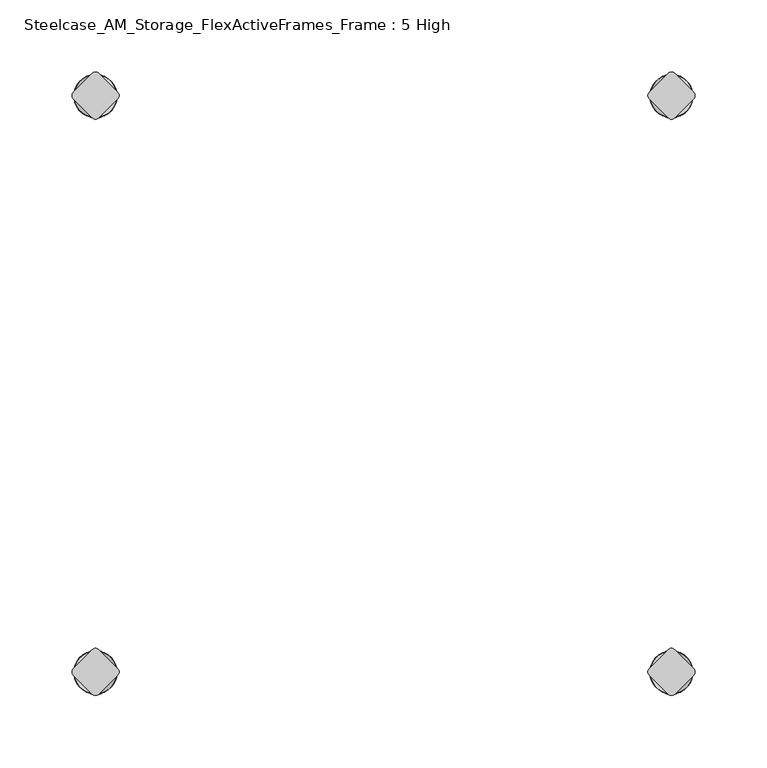
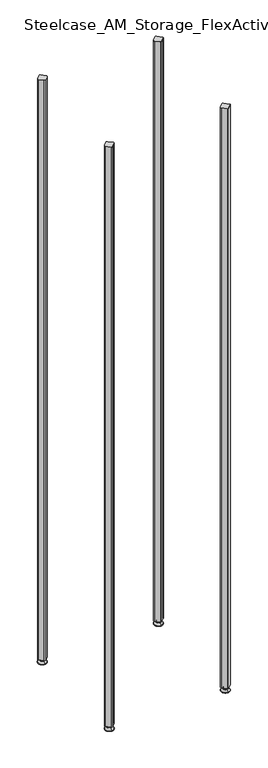
"""IFC4 building model written with IfcOpenShell, lengths in millimetres: furniture geometry, Steelcase_AM_Storage_FlexActiveFrames_Frame : 5 High."""

from ifc_helpers import new_model, si_unit, point, frame, frame_2d, origin, place, context, project, spatial, polyline, circle_curve, ellipse_curve, trimmed, segment, composite_curve, outline, extrude, source, transform, mapped, element, save
from ifc_brep_helpers import plane_surface, cylinder_surface, revolved_surface, advanced_brep


def steelcase_am_storage_flexactiveframes_frame_5_high_a644abab(model_context):
    return source(origin(), model_context, "Body", "SolidModel", [
        advanced_brep(
        [(400.05, 3.999659, 15.9766), (400.05, -3.999659, 15.9766), (400.05, 0.0, 15.9766), (400.05, 3.999659, 12.6000054), (400.05, -3.999659, 12.6000054), (400.05, 5.8601455, 12.6000054), (400.05, -5.8601455, 12.6000054), (400.05, 6.4951462, 11.9650074), (400.05, -6.4951462, 11.9650074), (400.05, 6.4951462, 9.0000124), (400.05, -6.4951462, 9.0000124), (400.05, 8.7421976, 9.0000124), (400.05, -8.7421976, 9.0000124), (400.05, 14.7060077, 2.3275608), (400.05, -14.7060077, 2.3275608), (400.05, 13.664601, 0.0), (400.05, -13.664601, 0.0), (400.05, 0.0, 0.0)],
        [
            (0, 1, circle_curve(frame((400.05, 0.0, 15.9766), z_axis=(0.0, 0.0, 1.0), x_axis=(0.0, -1.0, 0.0)), 3.999659)),
            (1, 2),
            (2, 0),
            (1, 0, circle_curve(frame((400.05, 0.0, 15.9766), z_axis=(0.0, 0.0, 1.0), x_axis=(0.0, -1.0, 0.0)), 3.999659)),
            (3, 4, circle_curve(frame((400.05, 0.0, 12.6000054), z_axis=(0.0, 0.0, 1.0), x_axis=(0.0, -1.0, 0.0)), 3.999659)),
            (4, 1),
            (0, 3),
            (4, 3, circle_curve(frame((400.05, 0.0, 12.6000054), z_axis=(0.0, 0.0, 1.0), x_axis=(0.0, -1.0, 0.0)), 3.999659)),
            (5, 6, circle_curve(frame((400.05, 0.0, 12.6000054), z_axis=(0.0, 0.0, 1.0), x_axis=(0.0, -1.0, 0.0)), 5.8601455)),
            (6, 4),
            (3, 5),
            (6, 5, circle_curve(frame((400.05, 0.0, 12.6000054), z_axis=(0.0, 0.0, 1.0), x_axis=(0.0, -1.0, 0.0)), 5.8601455)),
            (7, 8, circle_curve(frame((400.05, 0.0, 11.9650074), z_axis=(0.0, 0.0, 1.0), x_axis=(0.0, -1.0, 0.0)), 6.4951462)),
            (8, 6, circle_curve(frame((400.05, -5.8601462, 11.9650074), z_axis=(-1.0, 0.0, 0.0), x_axis=(0.0, -1.0, 0.0)), 0.635)),
            (5, 7, circle_curve(frame((400.05, 5.8601462, 11.9650074), z_axis=(-1.0, 0.0, 0.0), x_axis=(0.0, 1.0, 0.0)), 0.635)),
            (8, 7, circle_curve(frame((400.05, 0.0, 11.9650074), z_axis=(0.0, 0.0, 1.0), x_axis=(0.0, -1.0, 0.0)), 6.4951462)),
            (9, 10, circle_curve(frame((400.05, 0.0, 9.0000124), z_axis=(0.0, 0.0, 1.0), x_axis=(0.0, -1.0, 0.0)), 6.4951462)),
            (10, 8),
            (7, 9),
            (10, 9, circle_curve(frame((400.05, 0.0, 9.0000124), z_axis=(0.0, 0.0, 1.0), x_axis=(0.0, -1.0, 0.0)), 6.4951462)),
            (11, 12, circle_curve(frame((400.05, 0.0, 9.0000124), z_axis=(0.0, 0.0, 1.0), x_axis=(0.0, -1.0, 0.0)), 8.7421976)),
            (12, 10),
            (9, 11),
            (12, 11, circle_curve(frame((400.05, 0.0, 9.0000124), z_axis=(0.0, 0.0, 1.0), x_axis=(0.0, -1.0, 0.0)), 8.7421976)),
            (13, 14, circle_curve(frame((400.05, 0.0, 2.3275608), z_axis=(0.0, 0.0, 1.0), x_axis=(0.0, -1.0, 0.0)), 14.7060077)),
            (14, 12),
            (11, 13),
            (14, 13, circle_curve(frame((400.05, 0.0, 2.3275608), z_axis=(0.0, 0.0, 1.0), x_axis=(0.0, -1.0, 0.0)), 14.7060077)),
            (15, 16, circle_curve(frame((400.05, 0.0, 0.0), z_axis=(0.0, 0.0, 1.0), x_axis=(0.0, -1.0, 0.0)), 13.664601)),
            (16, 14, circle_curve(frame((400.05, -13.664601, 1.3967556), z_axis=(-1.0, 0.0, 0.0), x_axis=(0.0, -1.0, 0.0)), 1.3967556)),
            (13, 15, circle_curve(frame((400.05, 13.664601, 1.3967556), z_axis=(-1.0, 0.0, 0.0), x_axis=(0.0, 1.0, 0.0)), 1.3967556)),
            (16, 15, circle_curve(frame((400.05, 0.0, 0.0), z_axis=(0.0, 0.0, 1.0), x_axis=(0.0, -1.0, 0.0)), 13.664601)),
            (17, 16),
            (15, 17),
        ],
        [
            plane_surface(frame((400.05, 0.0, 15.9766), z_axis=(0.0, 0.0, 1.0), x_axis=(0.0, -1.0, 0.0))),
            cylinder_surface(frame((400.05, 0.0, -4.132372), z_axis=(0.0, 0.0, -1.0), x_axis=(0.0, -1.0, 0.0)), 3.999659),
            plane_surface(frame((400.05, 0.0, 12.6000054), z_axis=(0.0, 0.0, 1.0), x_axis=(0.0, -1.0, 0.0))),
            revolved_surface(trimmed(ellipse_curve(frame((400.05, -5.8601462, 11.9650074), z_axis=(1.0, 0.0, 0.0), x_axis=(0.0, -1.0, 0.0)), 0.635, 0.635), [point((400.05, -5.8601455, 12.6000074))], [point((400.05, -6.4951462, 11.9650074))], True, "CARTESIAN"), (400.05, 0.0, -4.132372), (0.0, 0.0, -1.0)),
            cylinder_surface(frame((400.05, 0.0, -4.132372), z_axis=(0.0, 0.0, -1.0), x_axis=(0.0, -1.0, 0.0)), 6.4951462),
            plane_surface(frame((400.05, 0.0, 9.0000124), z_axis=(0.0, 0.0, 1.0), x_axis=(0.0, -1.0, 0.0))),
            revolved_surface(polyline([(400.05, -8.7421976, 9.0000124), (400.05, -14.7060077, 2.3275608)]), (400.05, 0.0, -4.132372), (0.0, 0.0, -1.0)),
            revolved_surface(trimmed(ellipse_curve(frame((400.05, -13.664601, 1.3967556), z_axis=(1.0, 0.0, 0.0), x_axis=(0.0, -1.0, 0.0)), 1.3967556, 1.3967556), [point((400.05, -14.7060077, 2.3275608))], [point((400.05, -13.664601, 0.0))], True, "CARTESIAN"), (400.05, 0.0, -4.132372), (0.0, 0.0, -1.0)),
            plane_surface(frame((400.05, 0.0, 0.0), z_axis=(0.0, 0.0, -1.0), x_axis=(0.0, -1.0, 0.0))),
        ],
        [
            (0, [[1, 2, 3]]),
            (0, [[4, -3, -2]]),
            (1, [[5, 6, -1, 7]]),
            (1, [[8, -7, -4, -6]]),
            (2, [[9, 10, -5, 11]]),
            (2, [[12, -11, -8, -10]]),
            (3, [[13, 14, -9, 15]]),
            (3, [[16, -15, -12, -14]]),
            (4, [[17, 18, -13, 19]]),
            (4, [[20, -19, -16, -18]]),
            (5, [[21, 22, -17, 23]]),
            (5, [[24, -23, -20, -22]]),
            (6, [[25, 26, -21, 27]]),
            (6, [[28, -27, -24, -26]]),
            (7, [[29, 30, -25, 31]]),
            (7, [[32, -31, -28, -30]]),
            (8, [[33, -29, 34]]),
            (8, [[-34, -32, -33]]),
        ],
    ),
        advanced_brep(
        [(400.05, -400.05, 15.9766), (400.05, -396.050341, 15.9766), (400.05, -404.049659, 15.9766), (400.05, -396.050341, 12.6000054), (400.05, -404.049659, 12.6000054), (400.05, -394.1898545, 12.6000074), (400.05, -405.9101455, 12.6000074), (400.05, -393.5548538, 11.9650074), (400.05, -406.5451462, 11.9650074), (400.05, -393.5548538, 9.0000124), (400.05, -406.5451462, 9.0000124), (400.05, -391.3078024, 9.0000124), (400.05, -408.7921976, 9.0000124), (400.05, -385.3439923, 2.3275608), (400.05, -414.7560077, 2.3275608), (400.05, -386.385399, 0.0), (400.05, -413.714601, 0.0), (400.05, -400.05, 0.0)],
        [
            (0, 1),
            (1, 2, circle_curve(frame((400.05, -400.05, 15.9766), z_axis=(0.0, 0.0, 1.0), x_axis=(0.0, 1.0, 0.0)), 3.999659)),
            (2, 0),
            (2, 1, circle_curve(frame((400.05, -400.05, 15.9766), z_axis=(0.0, 0.0, 1.0), x_axis=(0.0, 1.0, 0.0)), 3.999659)),
            (1, 3),
            (3, 4, circle_curve(frame((400.05, -400.05, 12.6000054), z_axis=(0.0, 0.0, 1.0), x_axis=(0.0, 1.0, 0.0)), 3.999659)),
            (4, 2),
            (4, 3, circle_curve(frame((400.05, -400.05, 12.6000054), z_axis=(0.0, 0.0, 1.0), x_axis=(0.0, 1.0, 0.0)), 3.999659)),
            (3, 5),
            (5, 6, circle_curve(frame((400.05, -400.05, 12.6000074), z_axis=(0.0, 0.0, 1.0), x_axis=(0.0, 1.0, 0.0)), 5.8601455)),
            (6, 4),
            (6, 5, circle_curve(frame((400.05, -400.05, 12.6000074), z_axis=(0.0, 0.0, 1.0), x_axis=(0.0, 1.0, 0.0)), 5.8601455)),
            (5, 7, circle_curve(frame((400.05, -394.1898538, 11.9650074), z_axis=(-1.0, 0.0, 0.0), x_axis=(0.0, 1.0, 0.0)), 0.635)),
            (7, 8, circle_curve(frame((400.05, -400.05, 11.9650074), z_axis=(0.0, 0.0, 1.0), x_axis=(0.0, 1.0, 0.0)), 6.4951462)),
            (8, 6, circle_curve(frame((400.05, -405.9101462, 11.9650074), z_axis=(-1.0, 0.0, 0.0), x_axis=(0.0, -1.0, 0.0)), 0.635)),
            (8, 7, circle_curve(frame((400.05, -400.05, 11.9650074), z_axis=(0.0, 0.0, 1.0), x_axis=(0.0, 1.0, 0.0)), 6.4951462)),
            (7, 9),
            (9, 10, circle_curve(frame((400.05, -400.05, 9.0000124), z_axis=(0.0, 0.0, 1.0), x_axis=(0.0, 1.0, 0.0)), 6.4951462)),
            (10, 8),
            (10, 9, circle_curve(frame((400.05, -400.05, 9.0000124), z_axis=(0.0, 0.0, 1.0), x_axis=(0.0, 1.0, 0.0)), 6.4951462)),
            (9, 11),
            (11, 12, circle_curve(frame((400.05, -400.05, 9.0000124), z_axis=(0.0, 0.0, 1.0), x_axis=(0.0, 1.0, 0.0)), 8.7421976)),
            (12, 10),
            (12, 11, circle_curve(frame((400.05, -400.05, 9.0000124), z_axis=(0.0, 0.0, 1.0), x_axis=(0.0, 1.0, 0.0)), 8.7421976)),
            (11, 13),
            (13, 14, circle_curve(frame((400.05, -400.05, 2.3275608), z_axis=(0.0, 0.0, 1.0), x_axis=(0.0, 1.0, 0.0)), 14.7060077)),
            (14, 12),
            (14, 13, circle_curve(frame((400.05, -400.05, 2.3275608), z_axis=(0.0, 0.0, 1.0), x_axis=(0.0, 1.0, 0.0)), 14.7060077)),
            (13, 15, circle_curve(frame((400.05, -386.385399, 1.3967556), z_axis=(-1.0, 0.0, 0.0), x_axis=(0.0, 1.0, 0.0)), 1.3967556)),
            (15, 16, circle_curve(frame((400.05, -400.05, 0.0), z_axis=(0.0, 0.0, 1.0), x_axis=(0.0, 1.0, 0.0)), 13.664601)),
            (16, 14, circle_curve(frame((400.05, -413.714601, 1.3967556), z_axis=(-1.0, 0.0, 0.0), x_axis=(0.0, -1.0, 0.0)), 1.3967556)),
            (16, 15, circle_curve(frame((400.05, -400.05, 0.0), z_axis=(0.0, 0.0, 1.0), x_axis=(0.0, 1.0, 0.0)), 13.664601)),
            (15, 17),
            (17, 16),
        ],
        [
            plane_surface(frame((400.05, -400.05, 15.9766), z_axis=(0.0, 0.0, 1.0), x_axis=(0.0, 1.0, 0.0))),
            cylinder_surface(frame((400.05, -400.05, -4.132372), z_axis=(0.0, 0.0, 1.0), x_axis=(0.0, 1.0, 0.0)), 3.999659),
            plane_surface(frame((400.05, -400.05, 12.6000074), z_axis=(0.0, 0.0, 1.0), x_axis=(0.0, 1.0, 0.0))),
            revolved_surface(trimmed(ellipse_curve(frame((400.05, -394.1898538, 11.9650074), z_axis=(1.0, 0.0, 0.0), x_axis=(0.0, 1.0, 0.0)), 0.635, 0.635), [point((400.05, -393.5548538, 11.9650074))], [point((400.05, -394.1898545, 12.6000074))], True, "CARTESIAN"), (400.05, -400.05, -4.132372), (0.0, 0.0, 1.0)),
            cylinder_surface(frame((400.05, -400.05, -4.132372), z_axis=(0.0, 0.0, 1.0), x_axis=(0.0, 1.0, 0.0)), 6.4951462),
            plane_surface(frame((400.05, -400.05, 9.0000124), z_axis=(0.0, 0.0, 1.0), x_axis=(0.0, 1.0, 0.0))),
            revolved_surface(polyline([(400.05, -385.3439923, 2.3275608), (400.05, -391.3078024, 9.0000124)]), (400.05, -400.05, -4.132372), (0.0, 0.0, 1.0)),
            revolved_surface(trimmed(ellipse_curve(frame((400.05, -386.385399, 1.3967556), z_axis=(1.0, 0.0, 0.0), x_axis=(0.0, 1.0, 0.0)), 1.3967556, 1.3967556), [point((400.05, -386.385399, 0.0))], [point((400.05, -385.3439923, 2.3275608))], True, "CARTESIAN"), (400.05, -400.05, -4.132372), (0.0, 0.0, 1.0)),
            plane_surface(frame((400.05, -400.05, 0.0), z_axis=(0.0, 0.0, -1.0), x_axis=(0.0, 1.0, 0.0))),
        ],
        [
            (0, [[1, 2, 3]]),
            (0, [[-3, 4, -1]]),
            (1, [[-2, 5, 6, 7]]),
            (1, [[-4, -7, 8, -5]]),
            (2, [[-6, 9, 10, 11]]),
            (2, [[-8, -11, 12, -9]]),
            (3, [[-10, 13, 14, 15]]),
            (3, [[-12, -15, 16, -13]]),
            (4, [[-14, 17, 18, 19]]),
            (4, [[-16, -19, 20, -17]]),
            (5, [[-18, 21, 22, 23]]),
            (5, [[-20, -23, 24, -21]]),
            (6, [[-22, 25, 26, 27]]),
            (6, [[-24, -27, 28, -25]]),
            (7, [[-26, 29, 30, 31]]),
            (7, [[-28, -31, 32, -29]]),
            (8, [[-30, 33, 34]]),
            (8, [[-32, -34, -33]]),
        ],
    ),
        advanced_brep(
        [(0.0, -400.05, 15.9766), (0.0, -396.050341, 15.9766), (0.0, -404.049659, 15.9766), (0.0, -396.050341, 12.6000054), (0.0, -404.049659, 12.6000054), (0.0, -394.1898545, 12.6000074), (0.0, -405.9101455, 12.6000074), (0.0, -393.5548538, 11.9650074), (0.0, -406.5451462, 11.9650074), (0.0, -393.5548538, 9.0000124), (0.0, -406.5451462, 9.0000124), (0.0, -391.3078024, 9.0000124), (0.0, -408.7921976, 9.0000124), (0.0, -385.3439923, 2.3275608), (0.0, -414.7560077, 2.3275608), (0.0, -386.385399, 0.0), (0.0, -413.714601, 0.0), (0.0, -400.05, 0.0)],
        [
            (0, 1),
            (1, 2, circle_curve(frame((0.0, -400.05, 15.9766), z_axis=(0.0, 0.0, 1.0), x_axis=(0.0, 1.0, 0.0)), 3.999659)),
            (2, 0),
            (2, 1, circle_curve(frame((0.0, -400.05, 15.9766), z_axis=(0.0, 0.0, 1.0), x_axis=(0.0, 1.0, 0.0)), 3.999659)),
            (1, 3),
            (3, 4, circle_curve(frame((0.0, -400.05, 12.6000054), z_axis=(0.0, 0.0, 1.0), x_axis=(0.0, 1.0, 0.0)), 3.999659)),
            (4, 2),
            (4, 3, circle_curve(frame((0.0, -400.05, 12.6000054), z_axis=(0.0, 0.0, 1.0), x_axis=(0.0, 1.0, 0.0)), 3.999659)),
            (3, 5),
            (5, 6, circle_curve(frame((0.0, -400.05, 12.6000074), z_axis=(0.0, 0.0, 1.0), x_axis=(0.0, 1.0, 0.0)), 5.8601455)),
            (6, 4),
            (6, 5, circle_curve(frame((0.0, -400.05, 12.6000074), z_axis=(0.0, 0.0, 1.0), x_axis=(0.0, 1.0, 0.0)), 5.8601455)),
            (5, 7, circle_curve(frame((0.0, -394.1898538, 11.9650074), z_axis=(-1.0, 0.0, 0.0), x_axis=(0.0, -1.0, 0.0)), 0.635)),
            (7, 8, circle_curve(frame((0.0, -400.05, 11.9650074), z_axis=(0.0, 0.0, 1.0), x_axis=(0.0, 1.0, 0.0)), 6.4951462)),
            (8, 6, circle_curve(frame((0.0, -405.9101462, 11.9650074), z_axis=(-1.0, 0.0, 0.0), x_axis=(0.0, 1.0, 0.0)), 0.635)),
            (8, 7, circle_curve(frame((0.0, -400.05, 11.9650074), z_axis=(0.0, 0.0, 1.0), x_axis=(0.0, 1.0, 0.0)), 6.4951462)),
            (7, 9),
            (9, 10, circle_curve(frame((0.0, -400.05, 9.0000124), z_axis=(0.0, 0.0, 1.0), x_axis=(0.0, 1.0, 0.0)), 6.4951462)),
            (10, 8),
            (10, 9, circle_curve(frame((0.0, -400.05, 9.0000124), z_axis=(0.0, 0.0, 1.0), x_axis=(0.0, 1.0, 0.0)), 6.4951462)),
            (9, 11),
            (11, 12, circle_curve(frame((0.0, -400.05, 9.0000124), z_axis=(0.0, 0.0, 1.0), x_axis=(0.0, 1.0, 0.0)), 8.7421976)),
            (12, 10),
            (12, 11, circle_curve(frame((0.0, -400.05, 9.0000124), z_axis=(0.0, 0.0, 1.0), x_axis=(0.0, 1.0, 0.0)), 8.7421976)),
            (11, 13),
            (13, 14, circle_curve(frame((0.0, -400.05, 2.3275608), z_axis=(0.0, 0.0, 1.0), x_axis=(0.0, 1.0, 0.0)), 14.7060077)),
            (14, 12),
            (14, 13, circle_curve(frame((0.0, -400.05, 2.3275608), z_axis=(0.0, 0.0, 1.0), x_axis=(0.0, 1.0, 0.0)), 14.7060077)),
            (13, 15, circle_curve(frame((0.0, -386.385399, 1.3967556), z_axis=(-1.0, 0.0, 0.0), x_axis=(0.0, -1.0, 0.0)), 1.3967556)),
            (15, 16, circle_curve(frame((0.0, -400.05, 0.0), z_axis=(0.0, 0.0, 1.0), x_axis=(0.0, 1.0, 0.0)), 13.664601)),
            (16, 14, circle_curve(frame((0.0, -413.714601, 1.3967556), z_axis=(-1.0, 0.0, 0.0), x_axis=(0.0, 1.0, 0.0)), 1.3967556)),
            (16, 15, circle_curve(frame((0.0, -400.05, 0.0), z_axis=(0.0, 0.0, 1.0), x_axis=(0.0, 1.0, 0.0)), 13.664601)),
            (15, 17),
            (17, 16),
        ],
        [
            plane_surface(frame((0.0, -400.05, 15.9766), z_axis=(0.0, 0.0, 1.0), x_axis=(0.0, 1.0, 0.0))),
            cylinder_surface(frame((0.0, -400.05, -4.132372), z_axis=(0.0, 0.0, 1.0), x_axis=(0.0, 1.0, 0.0)), 3.999659),
            plane_surface(frame((0.0, -400.05, 12.6000074), z_axis=(0.0, 0.0, 1.0), x_axis=(0.0, 1.0, 0.0))),
            revolved_surface(trimmed(ellipse_curve(frame((0.0, -394.1898538, 11.9650074), z_axis=(1.0, 0.0, 0.0), x_axis=(0.0, -1.0, 0.0)), 0.635, 0.635), [point((0.0, -393.5548538, 11.9650074))], [point((0.0, -394.1898545, 12.6000074))], True, "CARTESIAN"), (0.0, -400.05, -4.132372), (0.0, 0.0, 1.0)),
            cylinder_surface(frame((0.0, -400.05, -4.132372), z_axis=(0.0, 0.0, 1.0), x_axis=(0.0, 1.0, 0.0)), 6.4951462),
            plane_surface(frame((0.0, -400.05, 9.0000124), z_axis=(0.0, 0.0, 1.0), x_axis=(0.0, 1.0, 0.0))),
            revolved_surface(polyline([(0.0, -385.3439923, 2.3275608), (0.0, -391.3078024, 9.0000124)]), (0.0, -400.05, -4.132372), (0.0, 0.0, 1.0)),
            revolved_surface(trimmed(ellipse_curve(frame((0.0, -386.385399, 1.3967556), z_axis=(1.0, 0.0, 0.0), x_axis=(0.0, -1.0, 0.0)), 1.3967556, 1.3967556), [point((0.0, -386.385399, 0.0))], [point((0.0, -385.3439923, 2.3275608))], True, "CARTESIAN"), (0.0, -400.05, -4.132372), (0.0, 0.0, 1.0)),
            plane_surface(frame((0.0, -400.05, 0.0), z_axis=(0.0, 0.0, -1.0), x_axis=(0.0, 1.0, 0.0))),
        ],
        [
            (0, [[1, 2, 3]]),
            (0, [[-3, 4, -1]]),
            (1, [[-2, 5, 6, 7]]),
            (1, [[-4, -7, 8, -5]]),
            (2, [[-6, 9, 10, 11]]),
            (2, [[-8, -11, 12, -9]]),
            (3, [[-10, 13, 14, 15]]),
            (3, [[-12, -15, 16, -13]]),
            (4, [[-14, 17, 18, 19]]),
            (4, [[-16, -19, 20, -17]]),
            (5, [[-18, 21, 22, 23]]),
            (5, [[-20, -23, 24, -21]]),
            (6, [[-22, 25, 26, 27]]),
            (6, [[-24, -27, 28, -25]]),
            (7, [[-26, 29, 30, 31]]),
            (7, [[-28, -31, 32, -29]]),
            (8, [[-30, 33, 34]]),
            (8, [[-32, -34, -33]]),
        ],
    ),
        advanced_brep(
        [(0.0, 3.999659, 15.9766), (0.0, -3.999659, 15.9766), (0.0, 0.0, 15.9766), (0.0, 3.999659, 12.6000054), (0.0, -3.999659, 12.6000054), (0.0, 5.8601455, 12.6000054), (0.0, -5.8601455, 12.6000054), (0.0, 6.4951462, 11.9650074), (0.0, -6.4951462, 11.9650074), (0.0, 6.4951462, 9.0000124), (0.0, -6.4951462, 9.0000124), (0.0, 8.7421976, 9.0000124), (0.0, -8.7421976, 9.0000124), (0.0, 14.7060077, 2.3275608), (0.0, -14.7060077, 2.3275608), (0.0, 13.664601, 0.0), (0.0, -13.664601, 0.0), (0.0, 0.0, 0.0)],
        [
            (0, 1, circle_curve(frame((0.0, 0.0, 15.9766), z_axis=(0.0, 0.0, 1.0), x_axis=(0.0, -1.0, 0.0)), 3.999659)),
            (1, 2),
            (2, 0),
            (1, 0, circle_curve(frame((0.0, 0.0, 15.9766), z_axis=(0.0, 0.0, 1.0), x_axis=(0.0, -1.0, 0.0)), 3.999659)),
            (3, 4, circle_curve(frame((0.0, 0.0, 12.6000054), z_axis=(0.0, 0.0, 1.0), x_axis=(0.0, -1.0, 0.0)), 3.999659)),
            (4, 1),
            (0, 3),
            (4, 3, circle_curve(frame((0.0, 0.0, 12.6000054), z_axis=(0.0, 0.0, 1.0), x_axis=(0.0, -1.0, 0.0)), 3.999659)),
            (5, 6, circle_curve(frame((0.0, 0.0, 12.6000054), z_axis=(0.0, 0.0, 1.0), x_axis=(0.0, -1.0, 0.0)), 5.8601455)),
            (6, 4),
            (3, 5),
            (6, 5, circle_curve(frame((0.0, 0.0, 12.6000054), z_axis=(0.0, 0.0, 1.0), x_axis=(0.0, -1.0, 0.0)), 5.8601455)),
            (7, 8, circle_curve(frame((0.0, 0.0, 11.9650074), z_axis=(0.0, 0.0, 1.0), x_axis=(0.0, -1.0, 0.0)), 6.4951462)),
            (8, 6, circle_curve(frame((0.0, -5.8601462, 11.9650074), z_axis=(-1.0, 0.0, 0.0), x_axis=(0.0, 1.0, 0.0)), 0.635)),
            (5, 7, circle_curve(frame((0.0, 5.8601462, 11.9650074), z_axis=(-1.0, 0.0, 0.0), x_axis=(0.0, -1.0, 0.0)), 0.635)),
            (8, 7, circle_curve(frame((0.0, 0.0, 11.9650074), z_axis=(0.0, 0.0, 1.0), x_axis=(0.0, -1.0, 0.0)), 6.4951462)),
            (9, 10, circle_curve(frame((0.0, 0.0, 9.0000124), z_axis=(0.0, 0.0, 1.0), x_axis=(0.0, -1.0, 0.0)), 6.4951462)),
            (10, 8),
            (7, 9),
            (10, 9, circle_curve(frame((0.0, 0.0, 9.0000124), z_axis=(0.0, 0.0, 1.0), x_axis=(0.0, -1.0, 0.0)), 6.4951462)),
            (11, 12, circle_curve(frame((0.0, 0.0, 9.0000124), z_axis=(0.0, 0.0, 1.0), x_axis=(0.0, -1.0, 0.0)), 8.7421976)),
            (12, 10),
            (9, 11),
            (12, 11, circle_curve(frame((0.0, 0.0, 9.0000124), z_axis=(0.0, 0.0, 1.0), x_axis=(0.0, -1.0, 0.0)), 8.7421976)),
            (13, 14, circle_curve(frame((0.0, 0.0, 2.3275608), z_axis=(0.0, 0.0, 1.0), x_axis=(0.0, -1.0, 0.0)), 14.7060077)),
            (14, 12),
            (11, 13),
            (14, 13, circle_curve(frame((0.0, 0.0, 2.3275608), z_axis=(0.0, 0.0, 1.0), x_axis=(0.0, -1.0, 0.0)), 14.7060077)),
            (15, 16, circle_curve(frame((0.0, 0.0, 0.0), z_axis=(0.0, 0.0, 1.0), x_axis=(0.0, -1.0, 0.0)), 13.664601)),
            (16, 14, circle_curve(frame((0.0, -13.664601, 1.3967556), z_axis=(-1.0, 0.0, 0.0), x_axis=(0.0, 1.0, 0.0)), 1.3967556)),
            (13, 15, circle_curve(frame((0.0, 13.664601, 1.3967556), z_axis=(-1.0, 0.0, 0.0), x_axis=(0.0, -1.0, 0.0)), 1.3967556)),
            (16, 15, circle_curve(frame((0.0, 0.0, 0.0), z_axis=(0.0, 0.0, 1.0), x_axis=(0.0, -1.0, 0.0)), 13.664601)),
            (17, 16),
            (15, 17),
        ],
        [
            plane_surface(frame((0.0, 0.0, 15.9766), z_axis=(0.0, 0.0, 1.0), x_axis=(0.0, -1.0, 0.0))),
            cylinder_surface(frame((0.0, 0.0, -4.132372), z_axis=(0.0, 0.0, -1.0), x_axis=(0.0, -1.0, 0.0)), 3.999659),
            plane_surface(frame((0.0, 0.0, 12.6000054), z_axis=(0.0, 0.0, 1.0), x_axis=(0.0, -1.0, 0.0))),
            revolved_surface(trimmed(ellipse_curve(frame((0.0, -5.8601462, 11.9650074), z_axis=(1.0, 0.0, 0.0), x_axis=(0.0, 1.0, 0.0)), 0.635, 0.635), [point((0.0, -5.8601455, 12.6000074))], [point((0.0, -6.4951462, 11.9650074))], True, "CARTESIAN"), (0.0, 0.0, -4.132372), (0.0, 0.0, -1.0)),
            cylinder_surface(frame((0.0, 0.0, -4.132372), z_axis=(0.0, 0.0, -1.0), x_axis=(0.0, -1.0, 0.0)), 6.4951462),
            plane_surface(frame((0.0, 0.0, 9.0000124), z_axis=(0.0, 0.0, 1.0), x_axis=(0.0, -1.0, 0.0))),
            revolved_surface(polyline([(0.0, -8.7421976, 9.0000124), (0.0, -14.7060077, 2.3275608)]), (0.0, 0.0, -4.132372), (0.0, 0.0, -1.0)),
            revolved_surface(trimmed(ellipse_curve(frame((0.0, -13.664601, 1.3967556), z_axis=(1.0, 0.0, 0.0), x_axis=(0.0, 1.0, 0.0)), 1.3967556, 1.3967556), [point((0.0, -14.7060077, 2.3275608))], [point((0.0, -13.664601, 0.0))], True, "CARTESIAN"), (0.0, 0.0, -4.132372), (0.0, 0.0, -1.0)),
            plane_surface(frame((0.0, 0.0, 0.0), z_axis=(0.0, 0.0, -1.0), x_axis=(0.0, -1.0, 0.0))),
        ],
        [
            (0, [[1, 2, 3]]),
            (0, [[4, -3, -2]]),
            (1, [[5, 6, -1, 7]]),
            (1, [[8, -7, -4, -6]]),
            (2, [[9, 10, -5, 11]]),
            (2, [[12, -11, -8, -10]]),
            (3, [[13, 14, -9, 15]]),
            (3, [[16, -15, -12, -14]]),
            (4, [[17, 18, -13, 19]]),
            (4, [[20, -19, -16, -18]]),
            (5, [[21, 22, -17, 23]]),
            (5, [[24, -23, -20, -22]]),
            (6, [[25, 26, -21, 27]]),
            (6, [[28, -27, -24, -26]]),
            (7, [[29, 30, -25, 31]]),
            (7, [[32, -31, -28, -30]]),
            (8, [[33, -29, 34]]),
            (8, [[-34, -32, -33]]),
        ],
    ),
        extrude(outline(composite_curve([segment(polyline([(-2.245064, -15.4326055), (-15.4326055, -2.245064)]), True, "CONTINUOUS"), segment(trimmed(circle_curve(frame_2d((-13.1875415, 0.0)), 3.175), [point((-15.4326055, -2.245064))], [point((-15.4326055, 2.245064))], False, "CARTESIAN"), True, "CONTINUOUS"), segment(polyline([(-15.4326055, 2.245064), (-2.245064, 15.4326055)]), True, "CONTINUOUS"), segment(trimmed(circle_curve(frame_2d((0.0, 13.1875415)), 3.175), [point((-2.245064, 15.4326055))], [point((2.245064, 15.4326055))], False, "CARTESIAN"), True, "CONTINUOUS"), segment(polyline([(2.245064, 15.4326055), (15.4326055, 2.245064)]), True, "CONTINUOUS"), segment(trimmed(circle_curve(frame_2d((13.1875415, 0.0)), 3.175), [point((15.4326055, 2.245064))], [point((15.4326055, -2.245064))], False, "CARTESIAN"), True, "CONTINUOUS"), segment(polyline([(15.4326055, -2.245064), (2.245064, -15.4326055)]), True, "CONTINUOUS"), segment(trimmed(circle_curve(frame_2d((0.0, -13.1875415)), 3.175), [point((2.245064, -15.4326055))], [point((-2.245064, -15.4326055))], False, "CARTESIAN"), True, "CONTINUOUS")], self_intersect=False)), frame((0.0, 0.0, 15.9766), z_axis=(0.0, 0.0, 1.0), x_axis=(1.0, 0.0, 0.0)), (0.0, 0.0, 1.0), 2111.2734),
        extrude(outline(composite_curve([segment(trimmed(circle_curve(frame_2d((400.05, -13.1875415)), 3.175), [point((402.295064, -15.4326055))], [point((397.804936, -15.4326055))], False, "CARTESIAN"), True, "CONTINUOUS"), segment(polyline([(397.804936, -15.4326055), (384.6173945, -2.245064)]), True, "CONTINUOUS"), segment(trimmed(circle_curve(frame_2d((386.8624585, 0.0)), 3.175), [point((384.6173945, -2.245064))], [point((384.6173945, 2.245064))], False, "CARTESIAN"), True, "CONTINUOUS"), segment(polyline([(384.6173945, 2.245064), (397.804936, 15.4326055)]), True, "CONTINUOUS"), segment(trimmed(circle_curve(frame_2d((400.05, 13.1875415)), 3.175), [point((397.804936, 15.4326055))], [point((402.295064, 15.4326055))], False, "CARTESIAN"), True, "CONTINUOUS"), segment(polyline([(402.295064, 15.4326055), (415.4826055, 2.245064)]), True, "CONTINUOUS"), segment(trimmed(circle_curve(frame_2d((413.2375415, 0.0)), 3.175), [point((415.4826055, 2.245064))], [point((415.4826055, -2.245064))], False, "CARTESIAN"), True, "CONTINUOUS"), segment(polyline([(415.4826055, -2.245064), (402.295064, -15.4326055)]), True, "CONTINUOUS")], self_intersect=False)), frame((0.0, 0.0, 15.9766), z_axis=(0.0, 0.0, 1.0), x_axis=(1.0, 0.0, 0.0)), (0.0, 0.0, 1.0), 2111.2734),
        extrude(outline(composite_curve([segment(polyline([(402.295064, -384.6173945), (415.4826055, -397.804936)]), True, "CONTINUOUS"), segment(trimmed(circle_curve(frame_2d((413.2375415, -400.05)), 3.175), [point((415.4826055, -397.804936))], [point((415.4826055, -402.295064))], False, "CARTESIAN"), True, "CONTINUOUS"), segment(polyline([(415.4826055, -402.295064), (402.295064, -415.4826055)]), True, "CONTINUOUS"), segment(trimmed(circle_curve(frame_2d((400.05, -413.2375415)), 3.175), [point((402.295064, -415.4826055))], [point((397.804936, -415.4826055))], False, "CARTESIAN"), True, "CONTINUOUS"), segment(polyline([(397.804936, -415.4826055), (384.6173945, -402.295064)]), True, "CONTINUOUS"), segment(trimmed(circle_curve(frame_2d((386.8624585, -400.05)), 3.175), [point((384.6173945, -402.295064))], [point((384.6173945, -397.804936))], False, "CARTESIAN"), True, "CONTINUOUS"), segment(polyline([(384.6173945, -397.804936), (397.804936, -384.6173945)]), True, "CONTINUOUS"), segment(trimmed(circle_curve(frame_2d((400.05, -386.8624585)), 3.175), [point((397.804936, -384.6173945))], [point((402.295064, -384.6173945))], False, "CARTESIAN"), True, "CONTINUOUS")], self_intersect=False)), frame((0.0, 0.0, 15.9766), z_axis=(0.0, 0.0, 1.0), x_axis=(1.0, 0.0, 0.0)), (0.0, 0.0, 1.0), 2111.2734),
        extrude(outline(composite_curve([segment(trimmed(circle_curve(frame_2d((0.0, -386.8624585)), 3.175), [point((-2.245064, -384.6173945))], [point((2.245064, -384.6173945))], False, "CARTESIAN"), True, "CONTINUOUS"), segment(polyline([(2.245064, -384.6173945), (15.4326055, -397.804936)]), True, "CONTINUOUS"), segment(trimmed(circle_curve(frame_2d((13.1875415, -400.05)), 3.175), [point((15.4326055, -397.804936))], [point((15.4326055, -402.295064))], False, "CARTESIAN"), True, "CONTINUOUS"), segment(polyline([(15.4326055, -402.295064), (2.245064, -415.4826055)]), True, "CONTINUOUS"), segment(trimmed(circle_curve(frame_2d((0.0, -413.2375415)), 3.175), [point((2.245064, -415.4826055))], [point((-2.245064, -415.4826055))], False, "CARTESIAN"), True, "CONTINUOUS"), segment(polyline([(-2.245064, -415.4826055), (-15.4326055, -402.295064)]), True, "CONTINUOUS"), segment(trimmed(circle_curve(frame_2d((-13.1875415, -400.05)), 3.175), [point((-15.4326055, -402.295064))], [point((-15.4326055, -397.804936))], False, "CARTESIAN"), True, "CONTINUOUS"), segment(polyline([(-15.4326055, -397.804936), (-2.245064, -384.6173945)]), True, "CONTINUOUS")], self_intersect=False)), frame((0.0, 0.0, 15.9766), z_axis=(0.0, 0.0, 1.0), x_axis=(1.0, 0.0, 0.0)), (0.0, 0.0, 1.0), 2111.2734),
    ])


if __name__ == "__main__":
    model = new_model("IFC4")
    model_context = context("Model", 3, world=origin())
    ifc_project = project(units=[si_unit("LENGTHUNIT", "METRE", prefix="MILLI")], contexts=[model_context])
    site = spatial("IfcSite", under=ifc_project)
    building = spatial("IfcBuilding", under=site)
    placement = place(None, origin())
    steelcase_am_storage_flexactiveframes_frame_5_high_shape = steelcase_am_storage_flexactiveframes_frame_5_high_a644abab(model_context)
    element("IfcFurniture", 1, ObjectType="Steelcase_AM_Storage_FlexActiveFrames_Frame : 5 High", at=placement, inside=building, context=model_context, shape_type="MappedRepresentation", body=[
        mapped(steelcase_am_storage_flexactiveframes_frame_5_high_shape, transform((0.0, 0.0, 0.0), x_axis=(1.0, 0.0, 0.0), y_axis=(0.0, 1.0, 0.0), z_axis=(0.0, 0.0, 1.0))),
    ])
    save(model, "model.ifc")
